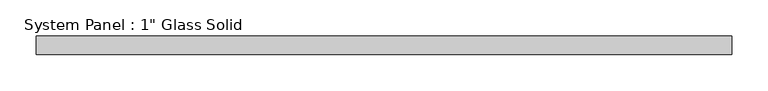
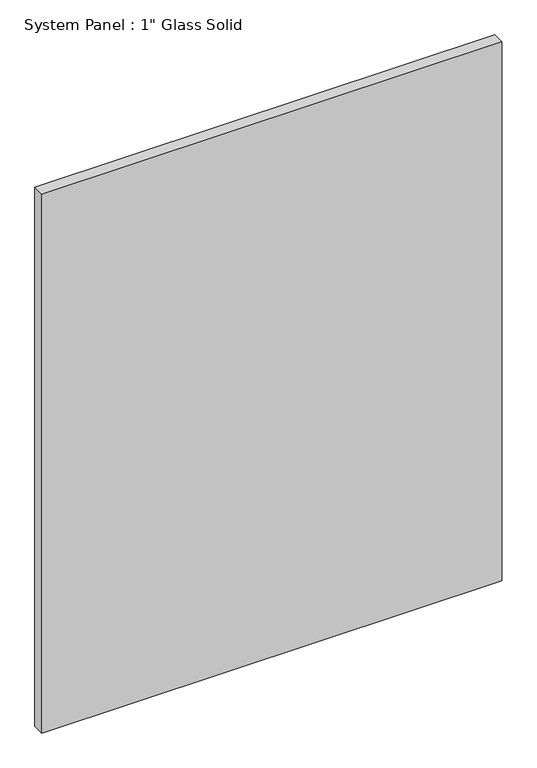
"""IFC4 building model written with IfcOpenShell, lengths in millimetres: plate geometry."""

from ifc_helpers import new_model, si_unit, origin, origin_with_axes, place, context, project, spatial, polyline, outline, extrude, source, transform, mapped, element, save


def plate_277ac1fc(model_context):
    return source(origin(), model_context, "Body", "SweptSolid", [
        extrude(outline(polyline([(479.4258852, -12.7), (-479.4258852, -12.7), (-479.4258852, 12.7), (479.4258852, 12.7), (479.4258852, -12.7)])), origin_with_axes(), (0.0, 0.0, 1.0), 1187.4517704),
    ])


if __name__ == "__main__":
    model = new_model("IFC4")
    model_context = context("Model", 3, world=origin())
    ifc_project = project(units=[si_unit("LENGTHUNIT", "METRE", prefix="MILLI")], contexts=[model_context])
    site = spatial("IfcSite", under=ifc_project)
    building = spatial("IfcBuilding", under=site)
    placement = place(None, origin())
    plate_shape = plate_277ac1fc(model_context)
    element("IfcPlate", 1, ObjectType="System Panel : 1\" Glass Solid", at=placement, inside=building, context=model_context, shape_type="MappedRepresentation", body=[
        mapped(plate_shape, transform((0.0, 0.0, 0.0), x_axis=(1.0, 0.0, 0.0), y_axis=(0.0, 1.0, 0.0), z_axis=(0.0, 0.0, 1.0))),
    ])
    save(model, "model.ifc")
